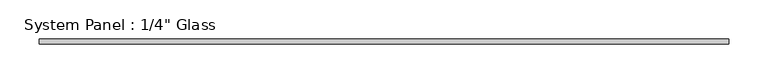
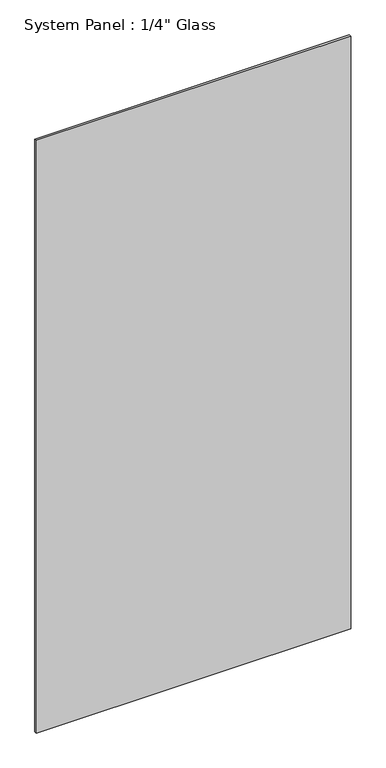
"""IFC4 building model written with IfcOpenShell, lengths in millimetres: plate geometry."""

from ifc_helpers import new_model, si_unit, origin, origin_with_axes, place, context, project, spatial, polyline, outline, extrude, source, transform, mapped, element, save


def plate_cc836208(model_context):
    return source(origin(), model_context, "Body", "SweptSolid", [
        extrude(outline(polyline([(436.5625, -3.175), (-436.5625, -3.175), (-436.5625, 3.175), (436.5625, 3.175), (436.5625, -3.175)])), origin_with_axes(), (0.0, 0.0, 1.0), 1739.9),
    ])


if __name__ == "__main__":
    model = new_model("IFC4")
    model_context = context("Model", 3, world=origin())
    ifc_project = project(units=[si_unit("LENGTHUNIT", "METRE", prefix="MILLI")], contexts=[model_context])
    site = spatial("IfcSite", under=ifc_project)
    building = spatial("IfcBuilding", under=site)
    placement = place(None, origin())
    plate_shape = plate_cc836208(model_context)
    element("IfcPlate", 1, ObjectType="System Panel : 1/4\" Glass", at=placement, inside=building, context=model_context, shape_type="MappedRepresentation", body=[
        mapped(plate_shape, transform((0.0, 0.0, 0.0), x_axis=(1.0, 0.0, 0.0), y_axis=(0.0, 1.0, 0.0), z_axis=(0.0, 0.0, 1.0))),
    ])
    save(model, "model.ifc")
